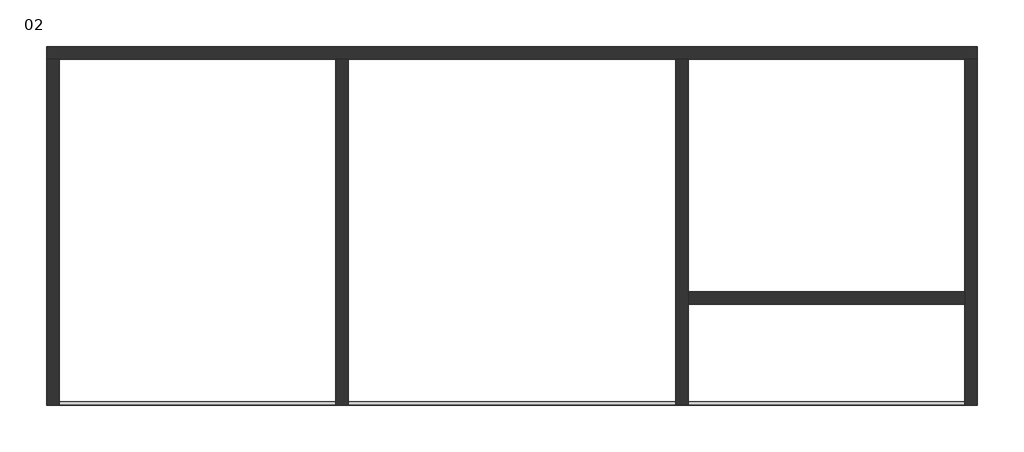
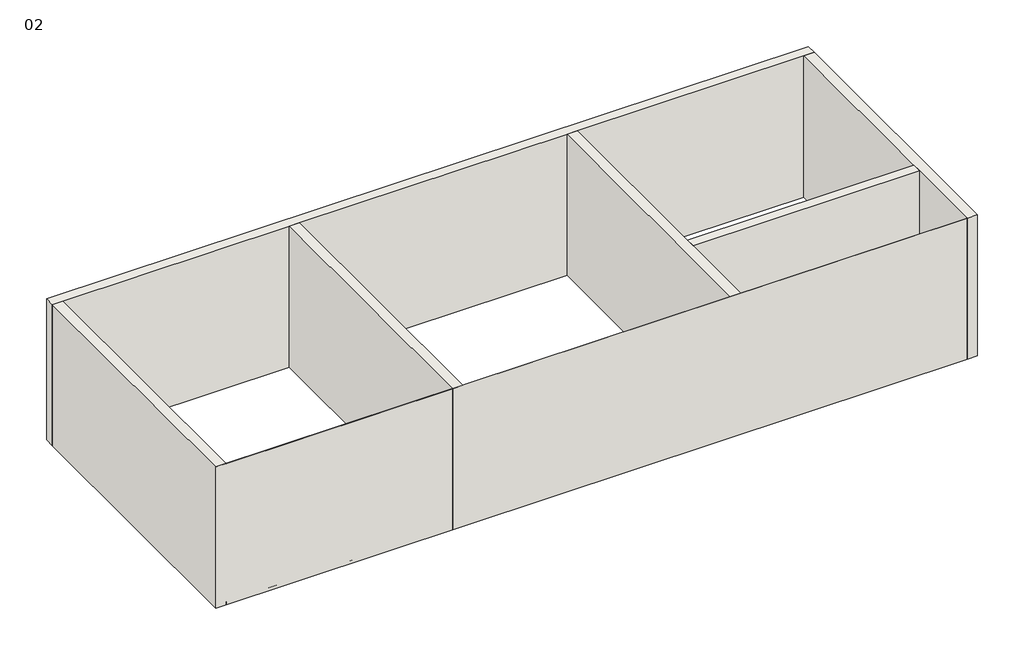
# One storey: 7 walls, 1 proxy.
"""IFC4 building model written with IfcOpenShell, lengths in millimetres."""

from ifc_helpers import new_model, si_unit, frame, origin, place, context, project, spatial, polyline, outline, extrude, faceted_brep, element, save

model = new_model("IFC4")

# Units and contexts
model_context = context("Model", 3, world=origin())
ifc_project = project(units=[si_unit("LENGTHUNIT", "METRE", prefix="MILLI")], contexts=[model_context])

# Site, building, storey
site = spatial("IfcSite", under=ifc_project)
building = spatial("IfcBuilding", under=site)
storey = spatial("IfcBuildingStorey", under=building, Name="02", Elevation=5800.0)

# Proxy
placement = place(None, origin())
element("IfcBuildingElementProxy", 1, Name="Wall Sweeps", at=placement, inside=storey, context=model_context, shape_type="SweptSolid", body=[
    extrude(outline(polyline([(20081.9743567, 12132.1656697), (20081.9743567, 12081.1656697), (5681.9743567, 12081.1656697), (5681.9743567, 12132.1656697), (20081.9743567, 12132.1656697)])), frame((0.0, 0.0, 5810.0), z_axis=(0.0, 0.0, 1.0), x_axis=(1.0, 0.0, 0.0)), (0.0, 0.0, 1.0), 50.0),
])

# Walls
element("IfcWall", 2, at=placement, inside=storey, context=model_context, shape_type="Brep", body=[
    faceted_brep([(5481.9743567, 17581.1656697, 5800.0), (5681.9743567, 17581.1656697, 5800.0), (10081.9743567, 17581.1656697, 5800.0), (10281.9743567, 17581.1656697, 5800.0), (15481.9743567, 17581.1656697, 5800.0), (15681.9743567, 17581.1656697, 5800.0), (20081.9743567, 17581.1656697, 5800.0), (20281.9743567, 17581.1656697, 5800.0), (20281.9743567, 17581.1656697, 8700.0), (20081.9743567, 17581.1656697, 8700.0), (15681.9743567, 17581.1656697, 8700.0), (15481.9743567, 17581.1656697, 8700.0), (10281.9743567, 17581.1656697, 8700.0), (10081.9743567, 17581.1656697, 8700.0), (5681.9743567, 17581.1656697, 8700.0), (5481.9743567, 17581.1656697, 8700.0), (5481.9743567, 17781.1656697, 5800.0), (5481.9743567, 17781.1656697, 8700.0), (20281.9743567, 17781.1656697, 8700.0), (20281.9743567, 17781.1656697, 5800.0)], [[[0, 1, 2, 3, 4, 5, 6, 7, 8, 9, 10, 11, 12, 13, 14, 15]], [[16, 17, 18, 19]], [[7, 6, 5, 4, 3, 2, 1, 0, 16, 19]], [[15, 14, 13, 12, 11, 10, 9, 8, 18, 17]], [[8, 7, 19, 18]], [[0, 15, 17, 16]]]),
])
element("IfcWall", 3, at=placement, inside=storey, context=model_context, shape_type="Brep", body=[
    faceted_brep([(20081.9743567, 17581.1656697, 5800.0), (20081.9743567, 13881.1656697, 5800.0), (20081.9743567, 13681.1656697, 5800.0), (20081.9743567, 12082.1656697, 5800.0), (20081.9743567, 12080.1656697, 5800.0), (20081.9743567, 12080.1656697, 8700.0), (20081.9743567, 12082.1656697, 8700.0), (20081.9743567, 13681.1656697, 8700.0), (20081.9743567, 13881.1656697, 8700.0), (20081.9743567, 17581.1656697, 8700.0), (20281.9743567, 17581.1656697, 5800.0), (20281.9743567, 17581.1656697, 8700.0), (20281.9743567, 12080.1656697, 8700.0), (20281.9743567, 12080.1656697, 5800.0)], [[[0, 1, 2, 3, 4, 5, 6, 7, 8, 9]], [[10, 11, 12, 13]], [[4, 3, 2, 1, 0, 10, 13]], [[9, 8, 7, 6, 5, 12, 11]], [[0, 9, 11, 10]], [[5, 4, 13, 12]]]),
])
element("IfcWall", 4, at=placement, inside=storey, context=model_context, shape_type="Brep", body=[
    faceted_brep([(20081.9743567, 12082.1656697, 5800.0), (15681.9743567, 12082.1656697, 5800.0), (15481.9743567, 12082.1656697, 5800.0), (10281.9743567, 12082.1656697, 5800.0), (10081.9743567, 12082.1656697, 5800.0), (5681.9743567, 12082.1656697, 5800.0), (5481.9743567, 12082.1656697, 5800.0), (5481.9743567, 12082.1656697, 8700.0), (5681.9743567, 12082.1656697, 8700.0), (10081.9743567, 12082.1656697, 8700.0), (10281.9743567, 12082.1656697, 8700.0), (15481.9743567, 12082.1656697, 8700.0), (15681.9743567, 12082.1656697, 8700.0), (20081.9743567, 12082.1656697, 8700.0), (20081.9743567, 12080.1656697, 5800.0), (20081.9743567, 12080.1656697, 8700.0), (5481.9743567, 12080.1656697, 8700.0), (5481.9743567, 12080.1656697, 5800.0)], [[[0, 1, 2, 3, 4, 5, 6, 7, 8, 9, 10, 11, 12, 13]], [[14, 15, 16, 17]], [[6, 5, 4, 3, 2, 1, 0, 14, 17]], [[13, 12, 11, 10, 9, 8, 7, 16, 15]], [[0, 13, 15, 14]], [[7, 6, 17, 16]]]),
])
element("IfcWall", 5, at=placement, inside=storey, context=model_context, shape_type="SweptSolid", body=[
    extrude(outline(polyline([(5681.9743567, 17581.1656697), (5681.9743567, 12082.1656697), (5481.9743567, 12082.1656697), (5481.9743567, 17581.1656697), (5681.9743567, 17581.1656697)])), frame((0.0, 0.0, 5800.0), z_axis=(0.0, 0.0, 1.0), x_axis=(1.0, 0.0, 0.0)), (0.0, 0.0, 1.0), 2900.0),
])
element("IfcWall", 6, at=placement, inside=storey, context=model_context, shape_type="SweptSolid", body=[
    extrude(outline(polyline([(10081.9743567, 12082.1656697), (10081.9743567, 17581.1656697), (10281.9743567, 17581.1656697), (10281.9743567, 12082.1656697), (10081.9743567, 12082.1656697)])), frame((0.0, 0.0, 5800.0), z_axis=(0.0, 0.0, 1.0), x_axis=(1.0, 0.0, 0.0)), (0.0, 0.0, 1.0), 2900.0),
])
element("IfcWall", 7, at=placement, inside=storey, context=model_context, shape_type="Brep", body=[
    faceted_brep([(15481.9743567, 17581.1656697, 5800.0), (15481.9743567, 12082.1656697, 5800.0), (15481.9743567, 12082.1656697, 8700.0), (15481.9743567, 17581.1656697, 8700.0), (15681.9743567, 17581.1656697, 5800.0), (15681.9743567, 17581.1656697, 8700.0), (15681.9743567, 13881.1656697, 8700.0), (15681.9743567, 13681.1656697, 8700.0), (15681.9743567, 12082.1656697, 8700.0), (15681.9743567, 12082.1656697, 5800.0), (15681.9743567, 13681.1656697, 5800.0), (15681.9743567, 13881.1656697, 5800.0)], [[[0, 1, 2, 3]], [[4, 5, 6, 7, 8, 9, 10, 11]], [[1, 0, 4, 11, 10, 9]], [[3, 2, 8, 7, 6, 5]], [[0, 3, 5, 4]], [[2, 1, 9, 8]]]),
])
element("IfcWall", 8, at=placement, inside=storey, context=model_context, shape_type="SweptSolid", body=[
    extrude(outline(polyline([(20081.9743567, 13681.1656697), (15681.9743567, 13681.1656697), (15681.9743567, 13881.1656697), (20081.9743567, 13881.1656697), (20081.9743567, 13681.1656697)])), frame((0.0, 0.0, 5800.0), z_axis=(0.0, 0.0, 1.0), x_axis=(1.0, 0.0, 0.0)), (0.0, 0.0, 1.0), 2900.0),
])

save(model, "model.ifc")
